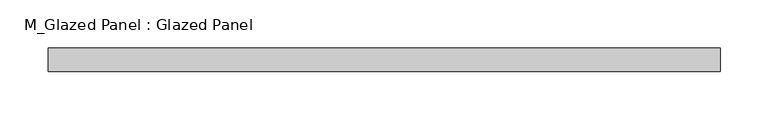
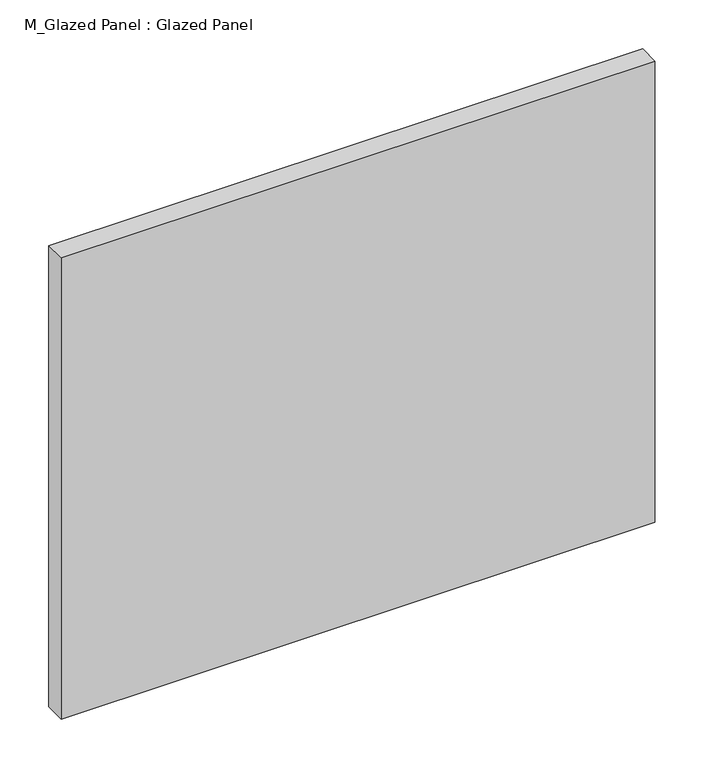
"""IFC4 building model written with IfcOpenShell, lengths in millimetres: plate geometry, M_Glazed Panel : Glazed Panel."""

from ifc_helpers import new_model, si_unit, origin, origin_with_axes, place, context, project, spatial, polyline, outline, extrude, source, transform, mapped, element, save


def m_glazed_panel_glazed_panel_f6772f48(model_context):
    return source(origin(), model_context, "Body", "SweptSolid", [
        extrude(outline(polyline([(350.0, 38.5), (-350.0, 38.5), (-350.0, 63.5), (350.0, 63.5), (350.0, 38.5)])), origin_with_axes(), (0.0, 0.0, 1.0), 575.0),
    ])


if __name__ == "__main__":
    model = new_model("IFC4")
    model_context = context("Model", 3, world=origin())
    ifc_project = project(units=[si_unit("LENGTHUNIT", "METRE", prefix="MILLI")], contexts=[model_context])
    site = spatial("IfcSite", under=ifc_project)
    building = spatial("IfcBuilding", under=site)
    placement = place(None, origin())
    m_glazed_panel_glazed_panel_shape = m_glazed_panel_glazed_panel_f6772f48(model_context)
    element("IfcPlate", 1, ObjectType="M_Glazed Panel : Glazed Panel", at=placement, inside=building, context=model_context, shape_type="MappedRepresentation", body=[
        mapped(m_glazed_panel_glazed_panel_shape, transform((0.0, 0.0, 0.0), x_axis=(1.0, 0.0, 0.0), y_axis=(0.0, 1.0, 0.0), z_axis=(0.0, 0.0, 1.0))),
    ])
    save(model, "model.ifc")
